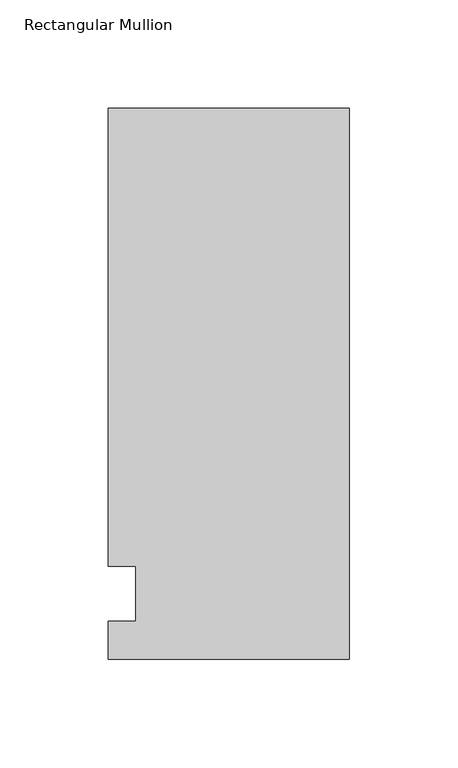
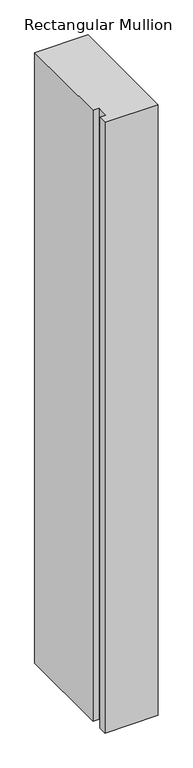
"""IFC4 building model written with IfcOpenShell, lengths in millimetres: member geometry, Rectangular Mullion."""

import ifcopenshell
import ifcopenshell.guid

model = None  # the IFC model being written
_history = None  # IfcOwnerHistory: only IFC2X3 demands one
_inside = {}  # id of a spatial element -> (the spatial element, [elements in it])
_under = {}  # id of a project, library or spatial element -> (it, [spatial elements below it])
_declared = {}  # id of a project -> (the project, [libraries it declares])
_typed = {}  # id of a type object -> (the type object, [elements of that type])
_made_of = {}  # id of a material, layer set ... -> (it, [elements and type objects made of it])


def new_model(schema):
    """Start an empty IFC model of exactly this schema.

    Asked for "IFC4X3", IfcOpenShell would pick the latest addendum, in which some entities
    have other attributes; the version numbers below select the first issue.
    IFC2X3 requires an IfcOwnerHistory on every rooted entity: one is made here for all.
    """
    global model, _history
    if schema == "IFC4X3":
        model = ifcopenshell.file(schema_version=(4, 3, 0, 0))
    else:
        model = ifcopenshell.file(schema=schema)
    _inside.clear()
    _under.clear()
    _declared.clear()
    _typed.clear()
    _made_of.clear()
    _history = None
    if model.schema == "IFC2X3":
        org = make("IfcOrganization", Name="unknown")
        user = make(
            "IfcPersonAndOrganization",
            ThePerson=make("IfcPerson", FamilyName="unknown"),
            TheOrganization=org,
        )
        app = make(
            "IfcApplication",
            ApplicationDeveloper=org,
            Version="unknown",
            ApplicationFullName="unknown",
            ApplicationIdentifier="unknown",
        )
        _history = make(
            "IfcOwnerHistory",
            OwningUser=user,
            OwningApplication=app,
            ChangeAction="ADDED",
            CreationDate=0,
        )
    return model


def make(cls, **values):
    """One entity of the class cls with the attributes given. An attribute that is None is left unset."""
    return model.create_entity(
        cls, **{name: value for name, value in values.items() if value is not None}
    )


def rooted(cls, **values):
    """An entity with a GlobalId (a new one), such as an element, a storey or a relation."""
    return make(cls, GlobalId=ifcopenshell.guid.new(), OwnerHistory=_history, **values)


def si_unit(unit_type, name, prefix=None):
    """IfcSIUnit, for example si_unit("LENGTHUNIT", "METRE", prefix="MILLI")."""
    return make("IfcSIUnit", UnitType=unit_type, Prefix=prefix, Name=name)


def assignment(units):
    """IfcUnitAssignment: the units of a project."""
    return None if units is None else make("IfcUnitAssignment", Units=units)


def point(xyz):
    """IfcCartesianPoint."""
    return None if xyz is None else make("IfcCartesianPoint", Coordinates=xyz)


def direction(xyz):
    """IfcDirection."""
    return None if xyz is None else make("IfcDirection", DirectionRatios=xyz)


def frame(location, z_axis=None, x_axis=None):
    """IfcAxis2Placement3D, a coordinate frame: its origin and axes. An axis left out is left unset."""
    return make(
        "IfcAxis2Placement3D",
        Location=point(location),
        Axis=direction(z_axis),
        RefDirection=direction(x_axis),
    )


def origin():
    """The frame at (0, 0, 0) with its axes left unset."""
    return frame((0.0, 0.0, 0.0))


def place(relative_to, where):
    """IfcLocalPlacement: puts the frame where relative to a parent placement (None: the world)."""
    return make(
        "IfcLocalPlacement", PlacementRelTo=relative_to, RelativePlacement=where
    )


def context(
    kind, dimensions, precision=None, world=None, true_north=None, identifier=None
):
    """IfcGeometricRepresentationContext, for example the 3D "Model" context."""
    return make(
        "IfcGeometricRepresentationContext",
        ContextIdentifier=identifier,
        ContextType=kind,
        CoordinateSpaceDimension=dimensions,
        Precision=precision,
        WorldCoordinateSystem=world,
        TrueNorth=true_north,
    )


def project(units=None, contexts=None):
    """IfcProject with its units and contexts."""
    return rooted(
        "IfcProject",
        Name="project",
        RepresentationContexts=contexts,
        UnitsInContext=assignment(units),
    )


def spatial(cls, under=None, at=None, **own):
    """A site, building, storey or space (cls), placed at a placement, below another one or the project."""
    s = rooted(cls, ObjectPlacement=at, **own)
    if under is not None:
        _under.setdefault(under.id(), (under, []))[1].append(s)
    return s


def polyline(points):
    """IfcPolyline through the points."""
    return make("IfcPolyline", Points=[point(p) for p in points])


def outline(outer, holes=None, kind="AREA"):
    """IfcArbitraryClosedProfileDef: a profile drawn as a closed curve; with holes, ...WithVoids."""
    if holes is None:
        return make("IfcArbitraryClosedProfileDef", ProfileType=kind, OuterCurve=outer)
    return make(
        "IfcArbitraryProfileDefWithVoids",
        ProfileType=kind,
        OuterCurve=outer,
        InnerCurves=holes,
    )


def extrude(swept, where, along, depth):
    """IfcExtrudedAreaSolid: the profile swept, set in the frame where, extruded along a direction by depth."""
    return make(
        "IfcExtrudedAreaSolid",
        SweptArea=swept,
        Position=where,
        ExtrudedDirection=direction(along),
        Depth=depth,
    )


def shape(context_of_items, identifier, shape_type, items):
    """IfcShapeRepresentation: the items that make up one representation, for example the "Body"."""
    return make(
        "IfcShapeRepresentation",
        ContextOfItems=context_of_items,
        RepresentationIdentifier=identifier,
        RepresentationType=shape_type,
        Items=items,
    )


def source(mapping_origin, context_of_items, identifier, shape_type, items):
    """IfcRepresentationMap: a shape defined once, which mapped items show again and again."""
    return make(
        "IfcRepresentationMap",
        MappingOrigin=mapping_origin,
        MappedRepresentation=shape(context_of_items, identifier, shape_type, items),
    )


def transform(
    local_origin,
    x_axis=None,
    y_axis=None,
    z_axis=None,
    scale=None,
    scale2=None,
    scale3=None,
    uniform=True,
):
    """IfcCartesianTransformationOperator3D, or its non-uniform kind. x_axis, y_axis, z_axis: its Axis1, 2, 3."""
    if uniform:
        return make(
            "IfcCartesianTransformationOperator3D",
            Axis1=direction(x_axis),
            Axis2=direction(y_axis),
            LocalOrigin=point(local_origin),
            Scale=scale,
            Axis3=direction(z_axis),
        )
    return make(
        "IfcCartesianTransformationOperator3DnonUniform",
        Axis1=direction(x_axis),
        Axis2=direction(y_axis),
        LocalOrigin=point(local_origin),
        Scale=scale,
        Axis3=direction(z_axis),
        Scale2=scale2,
        Scale3=scale3,
    )


def mapped(mapping_source, mapping_target):
    """IfcMappedItem: shows the shape of a source again, moved by a transform."""
    return make(
        "IfcMappedItem", MappingSource=mapping_source, MappingTarget=mapping_target
    )


def made_of(thing, what):
    """Note that an element or type object is made of a material, layer set ...; save() writes the relation."""
    if what is not None:
        _made_of.setdefault(what.id(), (what, []))[1].append(thing)
    return thing


def element(
    cls,
    number,
    at=None,
    inside=None,
    cuts=None,
    type_object=None,
    material=None,
    context=None,
    identifier="Body",
    shape_type=None,
    held_by="IfcProductDefinitionShape",
    body=None,
    shapes=None,
    **own,
):
    """One element of the class cls, such as IfcWall. Its Tag is "e" and its number.

    at: its placement. inside: the storey or other place that contains it. cuts: it is an
    opening in that element (IfcRelVoidsElement). A single representation is given by context,
    identifier, shape_type and body (its items); several are given by shapes. held_by: the class
    of the entity that holds the representations. save() writes the other relations.
    """
    e = rooted(cls, Tag="e%d" % number, ObjectPlacement=at, **own)
    if body is not None:
        shapes = [shape(context, identifier, shape_type, body)]
    if shapes is not None:
        e.Representation = make(held_by, Representations=shapes)
    if inside is not None:
        _inside.setdefault(inside.id(), (inside, []))[1].append(e)
    if cuts is not None:
        rooted(
            "IfcRelVoidsElement", RelatingBuildingElement=cuts, RelatedOpeningElement=e
        )
    if type_object is not None:
        _typed.setdefault(type_object.id(), (type_object, []))[1].append(e)
    return made_of(e, material)


def aggregate(whole, parts):
    """IfcRelAggregates: a whole, such as a stair, and the parts it consists of."""
    return rooted("IfcRelAggregates", RelatingObject=whole, RelatedObjects=parts)


def save(model, path):
    """Write the relations noted so far, then the file.

    IfcRelAggregates (storeys below a building ...), IfcRelContainedInSpatialStructure (elements
    in a storey), IfcRelDefinesByType, IfcRelAssociatesMaterial and IfcRelDeclares: one each for
    every whole, place, type object, material and project.
    """
    for whole, parts in _under.values():
        aggregate(whole, parts)
    for where, things in _inside.values():
        rooted(
            "IfcRelContainedInSpatialStructure",
            RelatedElements=things,
            RelatingStructure=where,
        )
    for kind, things in _typed.values():
        rooted("IfcRelDefinesByType", RelatedObjects=things, RelatingType=kind)
    for what, things in _made_of.values():
        rooted("IfcRelAssociatesMaterial", RelatedObjects=things, RelatingMaterial=what)
    for by, libraries in _declared.values():
        rooted("IfcRelDeclares", RelatingContext=by, RelatedDefinitions=libraries)
    model.write(path)


def rectangular_mullion_38e4effc(model_context):
    return source(origin(), model_context, "Body", "SweptSolid", [
        extrude(outline(polyline([(-111.125, 223.8375), (0.0, 223.8375), (0.0, -30.1625), (-111.125, -30.1625), (-111.125, -12.7), (-98.4232296, -12.7), (-98.4232296, 12.7), (-111.125, 12.7), (-111.125, 223.8375)])), frame((0.0, 0.0, -1349.4760693), z_axis=(0.0, 0.0, 1.0), x_axis=(1.0, 0.0, 0.0)), (0.0, 0.0, 1.0), 1349.4760693),
    ])


if __name__ == "__main__":
    model = new_model("IFC4")
    model_context = context("Model", 3, world=origin())
    ifc_project = project(units=[si_unit("LENGTHUNIT", "METRE", prefix="MILLI")], contexts=[model_context])
    site = spatial("IfcSite", under=ifc_project)
    building = spatial("IfcBuilding", under=site)
    placement = place(None, origin())
    rectangular_mullion_shape = rectangular_mullion_38e4effc(model_context)
    element("IfcMember", 1, ObjectType="Rectangular Mullion", at=placement, inside=building, context=model_context, shape_type="MappedRepresentation", body=[
        mapped(rectangular_mullion_shape, transform((0.0, 0.0, 0.0), x_axis=(1.0, 0.0, 0.0), y_axis=(0.0, 1.0, 0.0), z_axis=(0.0, 0.0, 1.0))),
    ])
    save(model, "model.ifc")
